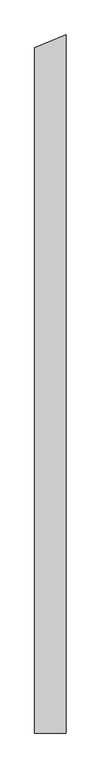
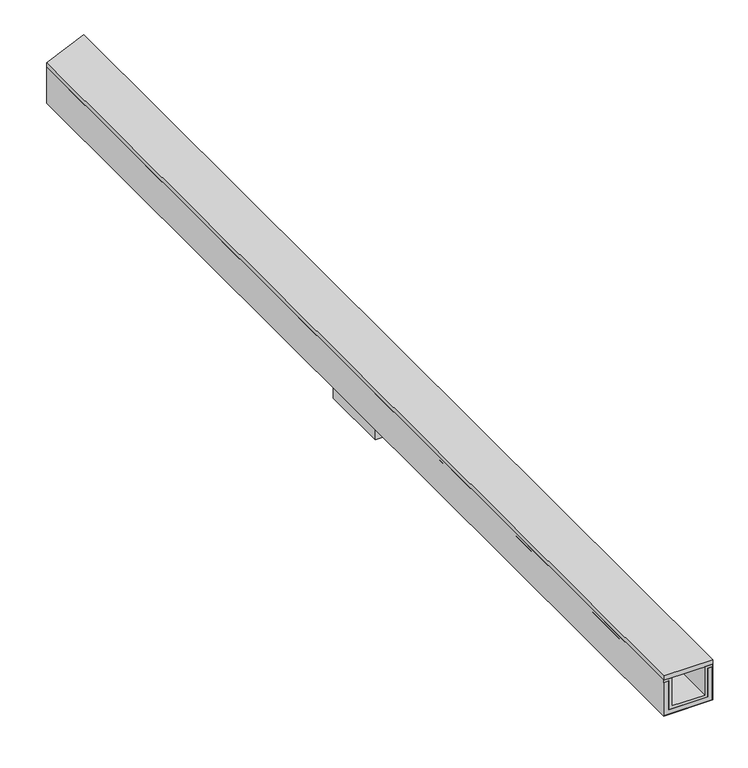
"""IFC4 building model written with IfcOpenShell, lengths in millimetres: proxy geometry."""

from ifc_helpers import new_model, si_unit, frame, origin, place, context, project, spatial, polyline, outline, extrude, faceted_brep, source, transform, mapped, element, save


def generic_models_751517f7(model_context):
    return source(origin(), model_context, "Body", "SolidModel", [
        faceted_brep([(21.0, 2172.9459617, 21.0), (21.0, 2172.9459617, 146.0), (1.0, 2164.6616904, 146.0), (1.0, 2164.6616904, 156.0), (33.0, 2177.9165244, 156.0), (33.0, 2177.9165244, 33.0), (169.0, 2234.2495689, 33.0), (169.0, 2234.2495689, 156.0), (201.0, 2247.5044029, 156.0), (201.0, 2247.5044029, 146.0), (181.0, 2239.2201317, 146.0), (181.0, 2239.2201317, 21.0), (21.0, -2247.9186165, 21.0), (21.0, -2247.9186165, 146.0), (1.0, -2247.9186165, 146.0), (1.0, -2247.9186165, 156.0), (33.0, -2247.9186165, 156.0), (33.0, -2247.9186165, 33.0), (169.0, -2247.9186165, 33.0), (169.0, -2247.9186165, 156.0), (201.0, -2247.9186165, 156.0), (201.0, -2247.9186165, 146.0), (181.0, -2247.9186165, 146.0), (181.0, -2247.9186165, 21.0)], [[[0, 1, 2, 3, 4, 5, 6, 7, 8, 9, 10, 11]], [[12, 13, 1, 0]], [[13, 14, 2, 1]], [[14, 15, 3, 2]], [[15, 16, 4, 3]], [[16, 17, 5, 4]], [[17, 18, 6, 5]], [[18, 19, 7, 6]], [[19, 20, 8, 7]], [[20, 21, 9, 8]], [[21, 22, 10, 9]], [[22, 23, 11, 10]], [[23, 12, 0, 11]], [[12, 23, 22, 21, 20, 19, 18, 17, 16, 15, 14, 13]]]),
        faceted_brep([(0.0, 2164.2474769, 0.0), (0.0, 2164.2474769, 156.0), (1.0, 2164.6616904, 156.0), (1.0, 2164.6616904, 1.0), (201.0, 2247.5044029, 1.0), (201.0, 2247.5044029, 156.0), (202.0, 2247.9186165, 156.0), (202.0, 2247.9186165, 0.0), (0.0, -2247.9186165, 0.0), (0.0, -2247.9186165, 156.0), (1.0, -2247.9186165, 156.0), (1.0, -2247.9186165, 1.0), (201.0, -2247.9186165, 1.0), (21.0, 150.0, 1.0), (181.0, 150.0, 1.0), (181.0, -150.0, 1.0), (21.0, -150.0, 1.0), (201.0, -2247.9186165, 156.0), (202.0, -2247.9186165, 156.0), (202.0, -2247.9186165, 0.0), (181.0, 150.0, 0.0), (21.0, 150.0, 0.0), (21.0, -150.0, 0.0), (181.0, -150.0, 0.0)], [[[0, 1, 2, 3, 4, 5, 6, 7]], [[8, 9, 1, 0]], [[9, 10, 2, 1]], [[10, 11, 3, 2]], [[11, 12, 4, 3], [13, 14, 15, 16]], [[12, 17, 5, 4]], [[17, 18, 6, 5]], [[18, 19, 7, 6]], [[19, 8, 0, 7], [20, 21, 22, 23]], [[20, 14, 13, 21]], [[21, 13, 16, 22]], [[22, 16, 15, 23]], [[14, 20, 23, 15]], [[8, 19, 18, 17, 12, 11, 10, 9]]]),
        faceted_brep([(21.0, 2172.9459617, 21.0), (181.0, 2239.2201317, 21.0), (181.0, 2239.2201317, 146.0), (201.0, 2247.5044029, 146.0), (201.0, 2247.5044029, 1.0), (1.0, 2164.6616904, 1.0), (1.0, 2164.6616904, 146.0), (21.0, 2172.9459617, 146.0), (21.0, 150.0, 21.0), (181.0, 150.0, 21.0), (21.0, -2247.9186165, 21.0), (181.0, -2247.9186165, 21.0), (181.0, -150.0, 21.0), (21.0, -150.0, 21.0), (181.0, -2247.9186165, 146.0), (181.0, 150.0, 1.0), (181.0, -150.0, 1.0), (201.0, -2247.9186165, 146.0), (201.0, -2247.9186165, 1.0), (1.0, -2247.9186165, 1.0), (21.0, 150.0, 1.0), (21.0, -150.0, 1.0), (1.0, -2247.9186165, 146.0), (21.0, -2247.9186165, 146.0)], [[[0, 1, 2, 3, 4, 5, 6, 7]], [[1, 0, 8, 9]], [[10, 11, 12, 13]], [[11, 14, 2, 1, 9, 15, 16, 12]], [[14, 17, 3, 2]], [[17, 18, 4, 3]], [[18, 19, 5, 4], [15, 20, 21, 16]], [[19, 22, 6, 5]], [[22, 23, 7, 6]], [[23, 10, 13, 21, 20, 8, 0, 7]], [[15, 9, 8, 20]], [[21, 13, 12, 16]], [[10, 23, 22, 19, 18, 17, 14, 11]]]),
        extrude(outline(polyline([(202.0, 2247.9186165), (202.0, -2247.9186165), (0.0, -2247.9186165), (0.0, 2164.2474769), (202.0, 2247.9186165)])), frame((0.0, 0.0, 156.0), z_axis=(0.0, 0.0, 1.0), x_axis=(1.0, 0.0, 0.0)), (0.0, 0.0, 1.0), 20.0),
        extrude(outline(polyline([(181.0, 150.0), (181.0, -150.0), (21.0, -150.0), (21.0, 150.0), (181.0, 150.0)])), frame((0.0, 0.0, -74.0), z_axis=(0.0, 0.0, 1.0), x_axis=(1.0, 0.0, 0.0)), (0.0, 0.0, 1.0), 95.0),
    ])


if __name__ == "__main__":
    model = new_model("IFC4")
    model_context = context("Model", 3, world=origin())
    ifc_project = project(units=[si_unit("LENGTHUNIT", "METRE", prefix="MILLI")], contexts=[model_context])
    site = spatial("IfcSite", under=ifc_project)
    building = spatial("IfcBuilding", under=site)
    placement = place(None, origin())
    generic_models_shape = generic_models_751517f7(model_context)
    element("IfcBuildingElementProxy", 1, Name="Generic Models", at=placement, inside=building, context=model_context, shape_type="MappedRepresentation", body=[
        mapped(generic_models_shape, transform((0.0, 0.0, 0.0), x_axis=(1.0, 0.0, 0.0), y_axis=(0.0, 1.0, 0.0), z_axis=(0.0, 0.0, 1.0))),
    ])
    save(model, "model.ifc")
